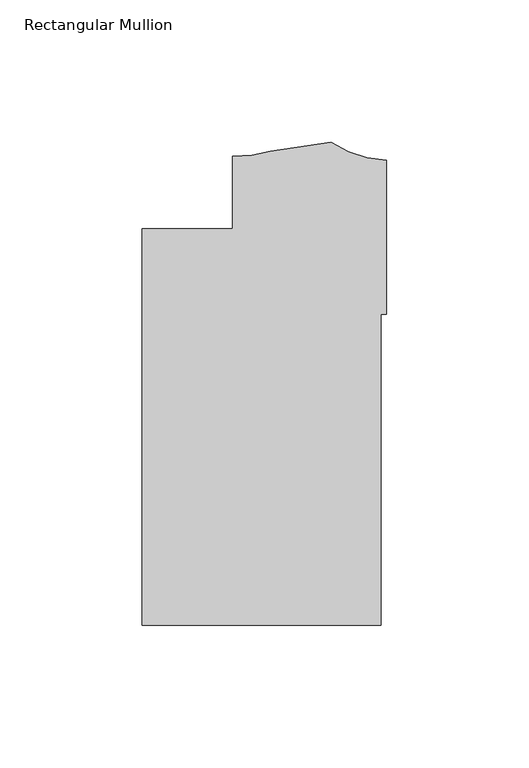
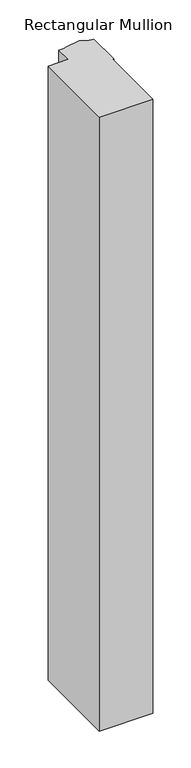
"""IFC4 building model written with IfcOpenShell, lengths in millimetres: member geometry, Rectangular Mullion."""

from ifc_helpers import new_model, si_unit, point, frame, frame_2d, origin, place, context, project, spatial, polyline, circle_curve, trimmed, segment, composite_curve, outline, extrude, source, transform, mapped, element, save


def rectangular_mullion_b9fe1c77(model_context):
    return source(origin(), model_context, "Body", "SweptSolid", [
        extrude(outline(composite_curve([segment(polyline([(-85.8370969, -12.557125), (-54.0870969, -12.557125), (-54.0870969, 12.8428728)]), True, "CONTINUOUS"), segment(trimmed(circle_curve(frame_2d((-53.2410377, 56.8266605)), 43.9919242), [point((-54.0870969, 12.8428728))], [point((-40.7045247, 14.6588382))], True, "CARTESIAN"), True, "CONTINUOUS"), segment(trimmed(circle_curve(frame_2d((-48.5375949, 141.418602)), 127.0015539), [point((-40.7045247, 14.6588382))], [point((-19.5523137, 17.7689025))], True, "CARTESIAN"), True, "CONTINUOUS"), segment(trimmed(circle_curve(frame_2d((1.9614918, 50.8236775)), 39.4393455), [point((-19.5523137, 17.7689025))], [point((0.0, 11.433139))], True, "CARTESIAN"), True, "CONTINUOUS"), segment(polyline([(0.0, 11.433139), (0.0, -42.597391), (-1.8773984, -42.597391), (-1.8773984, -151.749125), (-85.8370969, -151.749125), (-85.8370969, -12.557125)]), True, "CONTINUOUS")], self_intersect=False)), frame((0.0, 0.0, -1017.5045111), z_axis=(0.0, 0.0, 1.0), x_axis=(1.0, 0.0, 0.0)), (0.0, 0.0, 1.0), 1017.5045111),
    ])


if __name__ == "__main__":
    model = new_model("IFC4")
    model_context = context("Model", 3, world=origin())
    ifc_project = project(units=[si_unit("LENGTHUNIT", "METRE", prefix="MILLI")], contexts=[model_context])
    site = spatial("IfcSite", under=ifc_project)
    building = spatial("IfcBuilding", under=site)
    placement = place(None, origin())
    rectangular_mullion_shape = rectangular_mullion_b9fe1c77(model_context)
    element("IfcMember", 1, ObjectType="Rectangular Mullion", at=placement, inside=building, context=model_context, shape_type="MappedRepresentation", body=[
        mapped(rectangular_mullion_shape, transform((0.0, 0.0, 0.0), x_axis=(1.0, 0.0, 0.0), y_axis=(0.0, 1.0, 0.0), z_axis=(0.0, 0.0, 1.0))),
    ])
    save(model, "model.ifc")
